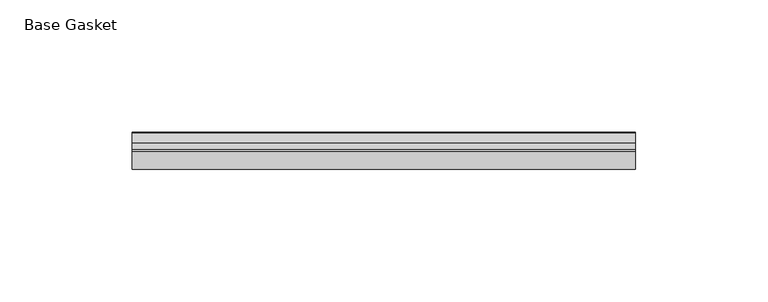
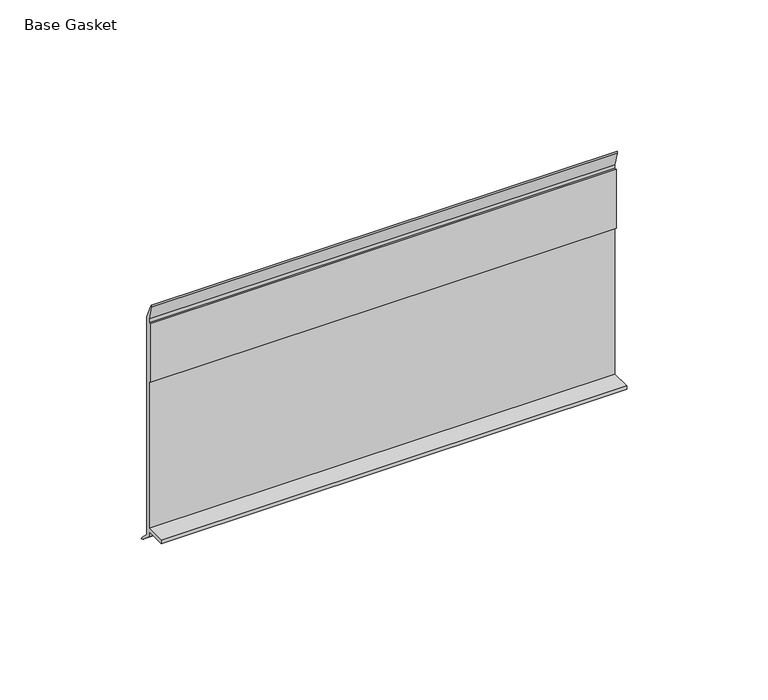
"""IFC4 building model written with IfcOpenShell, lengths in millimetres: furniture geometry, Base Gasket."""

import ifcopenshell
import ifcopenshell.guid

model = None  # the IFC model being written
_history = None  # IfcOwnerHistory: only IFC2X3 demands one
_inside = {}  # id of a spatial element -> (the spatial element, [elements in it])
_under = {}  # id of a project, library or spatial element -> (it, [spatial elements below it])
_declared = {}  # id of a project -> (the project, [libraries it declares])
_typed = {}  # id of a type object -> (the type object, [elements of that type])
_made_of = {}  # id of a material, layer set ... -> (it, [elements and type objects made of it])


def new_model(schema):
    """Start an empty IFC model of exactly this schema.

    Asked for "IFC4X3", IfcOpenShell would pick the latest addendum, in which some entities
    have other attributes; the version numbers below select the first issue.
    IFC2X3 requires an IfcOwnerHistory on every rooted entity: one is made here for all.
    """
    global model, _history
    if schema == "IFC4X3":
        model = ifcopenshell.file(schema_version=(4, 3, 0, 0))
    else:
        model = ifcopenshell.file(schema=schema)
    _inside.clear()
    _under.clear()
    _declared.clear()
    _typed.clear()
    _made_of.clear()
    _history = None
    if model.schema == "IFC2X3":
        org = make("IfcOrganization", Name="unknown")
        user = make(
            "IfcPersonAndOrganization",
            ThePerson=make("IfcPerson", FamilyName="unknown"),
            TheOrganization=org,
        )
        app = make(
            "IfcApplication",
            ApplicationDeveloper=org,
            Version="unknown",
            ApplicationFullName="unknown",
            ApplicationIdentifier="unknown",
        )
        _history = make(
            "IfcOwnerHistory",
            OwningUser=user,
            OwningApplication=app,
            ChangeAction="ADDED",
            CreationDate=0,
        )
    return model


def make(cls, **values):
    """One entity of the class cls with the attributes given. An attribute that is None is left unset."""
    return model.create_entity(
        cls, **{name: value for name, value in values.items() if value is not None}
    )


def rooted(cls, **values):
    """An entity with a GlobalId (a new one), such as an element, a storey or a relation."""
    return make(cls, GlobalId=ifcopenshell.guid.new(), OwnerHistory=_history, **values)


def si_unit(unit_type, name, prefix=None):
    """IfcSIUnit, for example si_unit("LENGTHUNIT", "METRE", prefix="MILLI")."""
    return make("IfcSIUnit", UnitType=unit_type, Prefix=prefix, Name=name)


def assignment(units):
    """IfcUnitAssignment: the units of a project."""
    return None if units is None else make("IfcUnitAssignment", Units=units)


def point(xyz):
    """IfcCartesianPoint."""
    return None if xyz is None else make("IfcCartesianPoint", Coordinates=xyz)


def direction(xyz):
    """IfcDirection."""
    return None if xyz is None else make("IfcDirection", DirectionRatios=xyz)


def frame(location, z_axis=None, x_axis=None):
    """IfcAxis2Placement3D, a coordinate frame: its origin and axes. An axis left out is left unset."""
    return make(
        "IfcAxis2Placement3D",
        Location=point(location),
        Axis=direction(z_axis),
        RefDirection=direction(x_axis),
    )


def origin():
    """The frame at (0, 0, 0) with its axes left unset."""
    return frame((0.0, 0.0, 0.0))


def place(relative_to, where):
    """IfcLocalPlacement: puts the frame where relative to a parent placement (None: the world)."""
    return make(
        "IfcLocalPlacement", PlacementRelTo=relative_to, RelativePlacement=where
    )


def context(
    kind, dimensions, precision=None, world=None, true_north=None, identifier=None
):
    """IfcGeometricRepresentationContext, for example the 3D "Model" context."""
    return make(
        "IfcGeometricRepresentationContext",
        ContextIdentifier=identifier,
        ContextType=kind,
        CoordinateSpaceDimension=dimensions,
        Precision=precision,
        WorldCoordinateSystem=world,
        TrueNorth=true_north,
    )


def project(units=None, contexts=None):
    """IfcProject with its units and contexts."""
    return rooted(
        "IfcProject",
        Name="project",
        RepresentationContexts=contexts,
        UnitsInContext=assignment(units),
    )


def spatial(cls, under=None, at=None, **own):
    """A site, building, storey or space (cls), placed at a placement, below another one or the project."""
    s = rooted(cls, ObjectPlacement=at, **own)
    if under is not None:
        _under.setdefault(under.id(), (under, []))[1].append(s)
    return s


def polyline(points):
    """IfcPolyline through the points."""
    return make("IfcPolyline", Points=[point(p) for p in points])


def outline(outer, holes=None, kind="AREA"):
    """IfcArbitraryClosedProfileDef: a profile drawn as a closed curve; with holes, ...WithVoids."""
    if holes is None:
        return make("IfcArbitraryClosedProfileDef", ProfileType=kind, OuterCurve=outer)
    return make(
        "IfcArbitraryProfileDefWithVoids",
        ProfileType=kind,
        OuterCurve=outer,
        InnerCurves=holes,
    )


def extrude(swept, where, along, depth):
    """IfcExtrudedAreaSolid: the profile swept, set in the frame where, extruded along a direction by depth."""
    return make(
        "IfcExtrudedAreaSolid",
        SweptArea=swept,
        Position=where,
        ExtrudedDirection=direction(along),
        Depth=depth,
    )


def shape(context_of_items, identifier, shape_type, items):
    """IfcShapeRepresentation: the items that make up one representation, for example the "Body"."""
    return make(
        "IfcShapeRepresentation",
        ContextOfItems=context_of_items,
        RepresentationIdentifier=identifier,
        RepresentationType=shape_type,
        Items=items,
    )


def source(mapping_origin, context_of_items, identifier, shape_type, items):
    """IfcRepresentationMap: a shape defined once, which mapped items show again and again."""
    return make(
        "IfcRepresentationMap",
        MappingOrigin=mapping_origin,
        MappedRepresentation=shape(context_of_items, identifier, shape_type, items),
    )


def transform(
    local_origin,
    x_axis=None,
    y_axis=None,
    z_axis=None,
    scale=None,
    scale2=None,
    scale3=None,
    uniform=True,
):
    """IfcCartesianTransformationOperator3D, or its non-uniform kind. x_axis, y_axis, z_axis: its Axis1, 2, 3."""
    if uniform:
        return make(
            "IfcCartesianTransformationOperator3D",
            Axis1=direction(x_axis),
            Axis2=direction(y_axis),
            LocalOrigin=point(local_origin),
            Scale=scale,
            Axis3=direction(z_axis),
        )
    return make(
        "IfcCartesianTransformationOperator3DnonUniform",
        Axis1=direction(x_axis),
        Axis2=direction(y_axis),
        LocalOrigin=point(local_origin),
        Scale=scale,
        Axis3=direction(z_axis),
        Scale2=scale2,
        Scale3=scale3,
    )


def mapped(mapping_source, mapping_target):
    """IfcMappedItem: shows the shape of a source again, moved by a transform."""
    return make(
        "IfcMappedItem", MappingSource=mapping_source, MappingTarget=mapping_target
    )


def made_of(thing, what):
    """Note that an element or type object is made of a material, layer set ...; save() writes the relation."""
    if what is not None:
        _made_of.setdefault(what.id(), (what, []))[1].append(thing)
    return thing


def element(
    cls,
    number,
    at=None,
    inside=None,
    cuts=None,
    type_object=None,
    material=None,
    context=None,
    identifier="Body",
    shape_type=None,
    held_by="IfcProductDefinitionShape",
    body=None,
    shapes=None,
    **own,
):
    """One element of the class cls, such as IfcWall. Its Tag is "e" and its number.

    at: its placement. inside: the storey or other place that contains it. cuts: it is an
    opening in that element (IfcRelVoidsElement). A single representation is given by context,
    identifier, shape_type and body (its items); several are given by shapes. held_by: the class
    of the entity that holds the representations. save() writes the other relations.
    """
    e = rooted(cls, Tag="e%d" % number, ObjectPlacement=at, **own)
    if body is not None:
        shapes = [shape(context, identifier, shape_type, body)]
    if shapes is not None:
        e.Representation = make(held_by, Representations=shapes)
    if inside is not None:
        _inside.setdefault(inside.id(), (inside, []))[1].append(e)
    if cuts is not None:
        rooted(
            "IfcRelVoidsElement", RelatingBuildingElement=cuts, RelatedOpeningElement=e
        )
    if type_object is not None:
        _typed.setdefault(type_object.id(), (type_object, []))[1].append(e)
    return made_of(e, material)


def aggregate(whole, parts):
    """IfcRelAggregates: a whole, such as a stair, and the parts it consists of."""
    return rooted("IfcRelAggregates", RelatingObject=whole, RelatedObjects=parts)


def save(model, path):
    """Write the relations noted so far, then the file.

    IfcRelAggregates (storeys below a building ...), IfcRelContainedInSpatialStructure (elements
    in a storey), IfcRelDefinesByType, IfcRelAssociatesMaterial and IfcRelDeclares: one each for
    every whole, place, type object, material and project.
    """
    for whole, parts in _under.values():
        aggregate(whole, parts)
    for where, things in _inside.values():
        rooted(
            "IfcRelContainedInSpatialStructure",
            RelatedElements=things,
            RelatingStructure=where,
        )
    for kind, things in _typed.values():
        rooted("IfcRelDefinesByType", RelatedObjects=things, RelatingType=kind)
    for what, things in _made_of.values():
        rooted("IfcRelAssociatesMaterial", RelatedObjects=things, RelatingMaterial=what)
    for by, libraries in _declared.values():
        rooted("IfcRelDeclares", RelatingContext=by, RelatedDefinitions=libraries)
    model.write(path)


def base_gasket_478c6270(model_context):
    return source(origin(), model_context, "Body", "SweptSolid", [
        extrude(outline(polyline([(3.7283812, 98.4568417), (3.7283812, 4.3498477), (7.4222115, 0.6560174), (7.8482342, 0.0), (6.8281054, 0.3520979), (2.2043812, 4.3498477), (2.1334222, 6.3818476), (-6.2405171, 6.3818476), (-6.2405171, 7.9398773), (2.2043812, 7.9398773), (2.2043812, 71.4693447), (1.4106313, 71.4693447), (1.4106313, 96.8693477), (2.2043812, 96.8693477), (2.2043812, 98.4568417), (0.6755308, 104.4162708), (0.6755308, 105.2002997), (1.1891543, 104.587663), (3.7283812, 98.4568417)])), frame((-1527.8982117, 0.0, 0.0), z_axis=(1.0, 0.0, 0.0), x_axis=(0.0, 1.0, 0.0)), (0.0, 0.0, 1.0), 190.5),
    ])


if __name__ == "__main__":
    model = new_model("IFC4")
    model_context = context("Model", 3, world=origin())
    ifc_project = project(units=[si_unit("LENGTHUNIT", "METRE", prefix="MILLI")], contexts=[model_context])
    site = spatial("IfcSite", under=ifc_project)
    building = spatial("IfcBuilding", under=site)
    placement = place(None, origin())
    base_gasket_shape = base_gasket_478c6270(model_context)
    element("IfcFurniture", 1, ObjectType="Base Gasket", at=placement, inside=building, context=model_context, shape_type="MappedRepresentation", body=[
        mapped(base_gasket_shape, transform((0.0, 0.0, 0.0), x_axis=(1.0, 0.0, 0.0), y_axis=(0.0, 1.0, 0.0), z_axis=(0.0, 0.0, 1.0))),
    ])
    save(model, "model.ifc")
